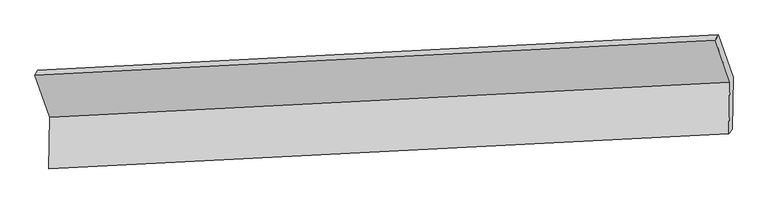
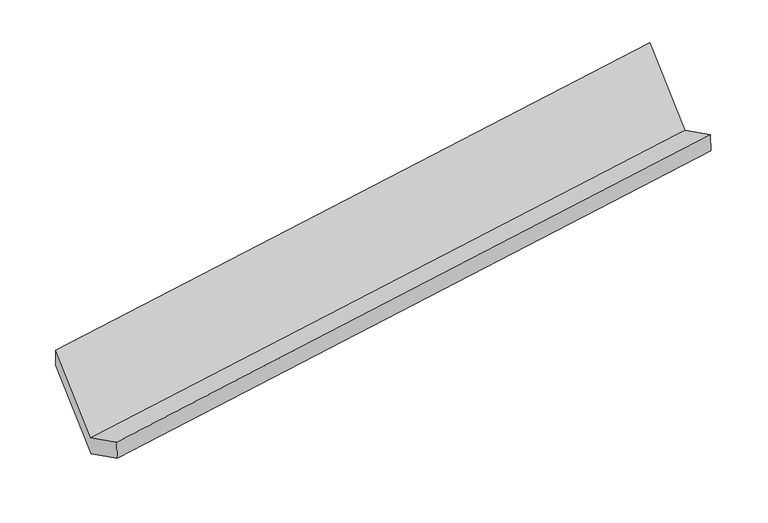
"""IFC4 building model written with IfcOpenShell, lengths in millimetres: proxy geometry."""

from ifc_helpers import new_model, si_unit, origin, place, context, project, spatial, faceted_brep, source, transform, mapped, element, save


def generic_models_9aa9f343(model_context):
    return source(origin(), model_context, "Body", "Brep", [
        faceted_brep([(-5263.6760253, -1626.349895, 1387.6317485), (-5271.0051613, -1993.9894663, 1573.9285654), (-413.1033558, -1741.6148052, 2296.2722102), (-405.7742197, -1373.9752339, 2109.9753933), (-5248.7170922, -1961.9366238, 1412.5364337), (-390.8152867, -1709.5619627, 2134.8800785), (-5241.366277, -1593.2095964, 1225.6885618), (-383.4644715, -1340.8349353, 1948.0322067), (-5346.9846141, -1289.6530172, 1820.5743004), (-489.0828086, -1037.2783561, 2542.9179452), (-5368.0718278, -1326.3069897, 1975.6316717), (-510.1700223, -1073.9323286, 2697.9753165)], [[[0, 1, 2, 3]], [[1, 4, 5, 2]], [[4, 6, 7, 5]], [[6, 8, 9, 7]], [[8, 10, 11, 9]], [[10, 0, 3, 11]], [[9, 11, 3, 2, 5, 7]], [[0, 10, 8, 6, 4, 1]]]),
    ])


if __name__ == "__main__":
    model = new_model("IFC4")
    model_context = context("Model", 3, world=origin())
    ifc_project = project(units=[si_unit("LENGTHUNIT", "METRE", prefix="MILLI")], contexts=[model_context])
    site = spatial("IfcSite", under=ifc_project)
    building = spatial("IfcBuilding", under=site)
    placement = place(None, origin())
    generic_models_shape = generic_models_9aa9f343(model_context)
    element("IfcBuildingElementProxy", 1, Name="Generic Models", at=placement, inside=building, context=model_context, shape_type="MappedRepresentation", body=[
        mapped(generic_models_shape, transform((0.0, 0.0, 0.0), x_axis=(1.0, 0.0, 0.0), y_axis=(0.0, 1.0, 0.0), z_axis=(0.0, 0.0, 1.0))),
    ])
    save(model, "model.ifc")
